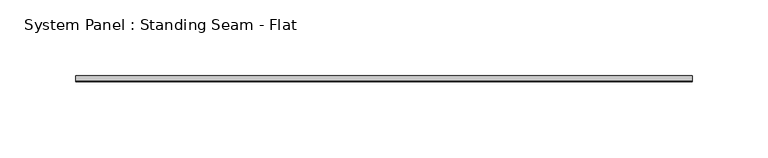
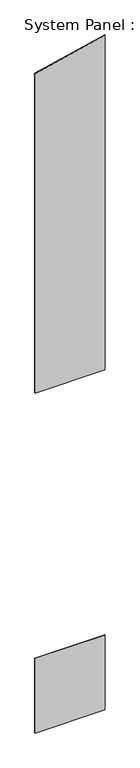
"""IFC4 building model written with IfcOpenShell, lengths in millimetres: plate geometry, System Panel : Standing Seam - Flat."""

from ifc_helpers import new_model, si_unit, frame, origin, origin_with_axes, place, context, project, spatial, polyline, outline, extrude, source, transform, mapped, element, save


def system_panel_standing_seam_flat_25737f5b(model_context):
    return source(origin(), model_context, "Body", "SweptSolid", [
        extrude(outline(polyline([(203.2, -1.5875), (-203.2, -1.5875), (-203.2, 1.5875), (203.2, 1.5875), (203.2, -1.5875)])), origin_with_axes(), (0.0, 0.0, 1.0), 457.2),
        extrude(outline(polyline([(2082.8, -203.2), (2082.8, 203.2), (4133.229298, 203.2), (4039.8465532, -203.2), (2082.8, -203.2)])), frame((0.0, -1.5875, 0.0), z_axis=(0.0, 1.0, 0.0), x_axis=(0.0, 0.0, 1.0)), (0.0, 0.0, 1.0), 3.175),
    ])


if __name__ == "__main__":
    model = new_model("IFC4")
    model_context = context("Model", 3, world=origin())
    ifc_project = project(units=[si_unit("LENGTHUNIT", "METRE", prefix="MILLI")], contexts=[model_context])
    site = spatial("IfcSite", under=ifc_project)
    building = spatial("IfcBuilding", under=site)
    placement = place(None, origin())
    system_panel_standing_seam_flat_shape = system_panel_standing_seam_flat_25737f5b(model_context)
    element("IfcPlate", 1, ObjectType="System Panel : Standing Seam - Flat", at=placement, inside=building, context=model_context, shape_type="MappedRepresentation", body=[
        mapped(system_panel_standing_seam_flat_shape, transform((0.0, 0.0, 0.0), x_axis=(1.0, 0.0, 0.0), y_axis=(0.0, 1.0, 0.0), z_axis=(0.0, 0.0, 1.0))),
    ])
    save(model, "model.ifc")
